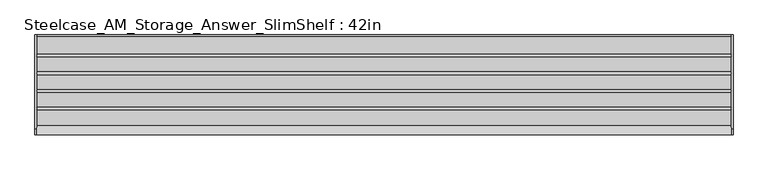
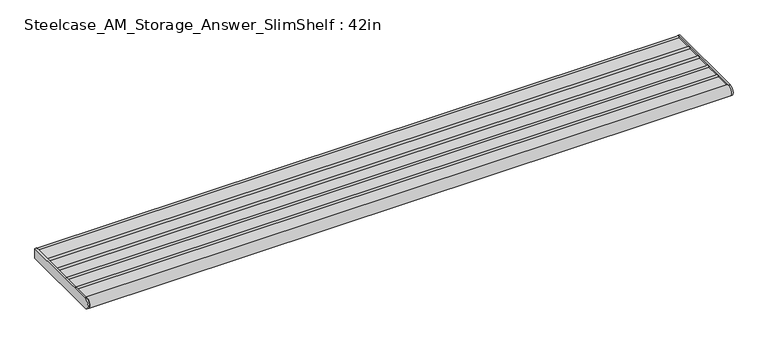
"""IFC4 building model written with IfcOpenShell, lengths in millimetres: furniture geometry, Steelcase_AM_Storage_Answer_SlimShelf : 42in."""

from ifc_helpers import new_model, si_unit, point, frame, frame_2d, origin, place, context, project, spatial, polyline, circle_curve, trimmed, segment, composite_curve, outline, extrude, source, transform, mapped, element, save


def steelcase_am_storage_answer_slimshelf_42in_64db3956(model_context):
    return source(origin(), model_context, "Body", "SweptSolid", [
        extrude(outline(composite_curve([segment(polyline([(-29.2099994, 928.482716), (-2.2859999, 928.482716)]), True, "CONTINUOUS"), segment(trimmed(circle_curve(frame_2d((1e-07, 928.482716)), 2.2860001), [point((-2.2859999, 928.482716))], [point((0.0, 930.7687161))], False, "CARTESIAN"), True, "CONTINUOUS"), segment(polyline([(0.0, 930.7687161), (0.0, 914.4), (-143.9753135, 914.4)]), True, "CONTINUOUS"), segment(trimmed(circle_curve(frame_2d((-143.9753135, 922.8328065)), 8.4328065), [point((-143.9753135, 914.4))], [point((-137.7150621, 928.482716))], False, "CARTESIAN"), True, "CONTINUOUS"), segment(polyline([(-137.7150621, 928.482716), (-114.7063978, 928.482716)]), True, "CONTINUOUS"), segment(trimmed(circle_curve(frame_2d((-112.4204, 928.482716)), 2.2859978), [point((-114.7063978, 928.482716))], [point((-110.1344022, 928.482716))], False, "CARTESIAN"), True, "CONTINUOUS"), segment(polyline([(-110.1344022, 928.482716), (-87.7315999, 928.482716)]), True, "CONTINUOUS"), segment(trimmed(circle_curve(frame_2d((-85.4456021, 928.482716)), 2.2859978), [point((-87.7315999, 928.482716))], [point((-83.1596043, 928.482716))], False, "CARTESIAN"), True, "CONTINUOUS"), segment(polyline([(-83.1596043, 928.482716), (-60.756802, 928.482716)]), True, "CONTINUOUS"), segment(trimmed(circle_curve(frame_2d((-58.4708019, 928.482716)), 2.2860001), [point((-60.756802, 928.482716))], [point((-56.1848018, 928.482716))], False, "CARTESIAN"), True, "CONTINUOUS"), segment(polyline([(-56.1848018, 928.482716), (-33.7819996, 928.482716)]), True, "CONTINUOUS"), segment(trimmed(circle_curve(frame_2d((-31.4959995, 928.482716)), 2.2860001), [point((-33.7819996, 928.482716))], [point((-29.2099994, 928.482716))], False, "CARTESIAN"), True, "CONTINUOUS")], self_intersect=False)), frame((2.7431999, 0.0, 0.0), z_axis=(1.0, 0.0, 0.0), x_axis=(0.0, 1.0, 0.0)), (0.0, 0.0, 1.0), 1061.2120001),
        extrude(outline(composite_curve([segment(polyline([(-143.9753135, 931.265613), (0.0, 931.265613), (0.0, 914.4), (-143.9753135, 914.4)]), True, "CONTINUOUS"), segment(trimmed(circle_curve(frame_2d((-143.9753135, 922.8328065)), 8.4328065), [point((-143.9753135, 914.4))], [point((-143.9753135, 931.265613))], False, "CARTESIAN"), True, "CONTINUOUS")], self_intersect=False)), frame((1063.9552, 0.0, 0.0), z_axis=(1.0, 0.0, 0.0), x_axis=(0.0, 1.0, 0.0)), (0.0, 0.0, 1.0), 2.8448),
        extrude(outline(composite_curve([segment(polyline([(-143.9753135, 931.265613), (0.0, 931.265613), (0.0, 914.4), (-143.9753135, 914.4)]), True, "CONTINUOUS"), segment(trimmed(circle_curve(frame_2d((-143.9753135, 922.8328065)), 8.4328065), [point((-143.9753135, 914.4))], [point((-143.9753135, 931.265613))], False, "CARTESIAN"), True, "CONTINUOUS")], self_intersect=False)), frame((0.0, 0.0, 0.0), z_axis=(1.0, 0.0, 0.0), x_axis=(0.0, 1.0, 0.0)), (0.0, 0.0, 1.0), 2.7431999),
    ])


if __name__ == "__main__":
    model = new_model("IFC4")
    model_context = context("Model", 3, world=origin())
    ifc_project = project(units=[si_unit("LENGTHUNIT", "METRE", prefix="MILLI")], contexts=[model_context])
    site = spatial("IfcSite", under=ifc_project)
    building = spatial("IfcBuilding", under=site)
    placement = place(None, origin())
    steelcase_am_storage_answer_slimshelf_42in_shape = steelcase_am_storage_answer_slimshelf_42in_64db3956(model_context)
    element("IfcFurniture", 1, ObjectType="Steelcase_AM_Storage_Answer_SlimShelf : 42in", at=placement, inside=building, context=model_context, shape_type="MappedRepresentation", body=[
        mapped(steelcase_am_storage_answer_slimshelf_42in_shape, transform((0.0, 0.0, 0.0), x_axis=(1.0, 0.0, 0.0), y_axis=(0.0, 1.0, 0.0), z_axis=(0.0, 0.0, 1.0))),
    ])
    save(model, "model.ifc")
